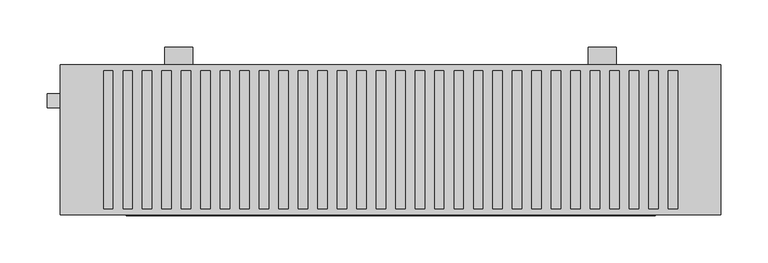
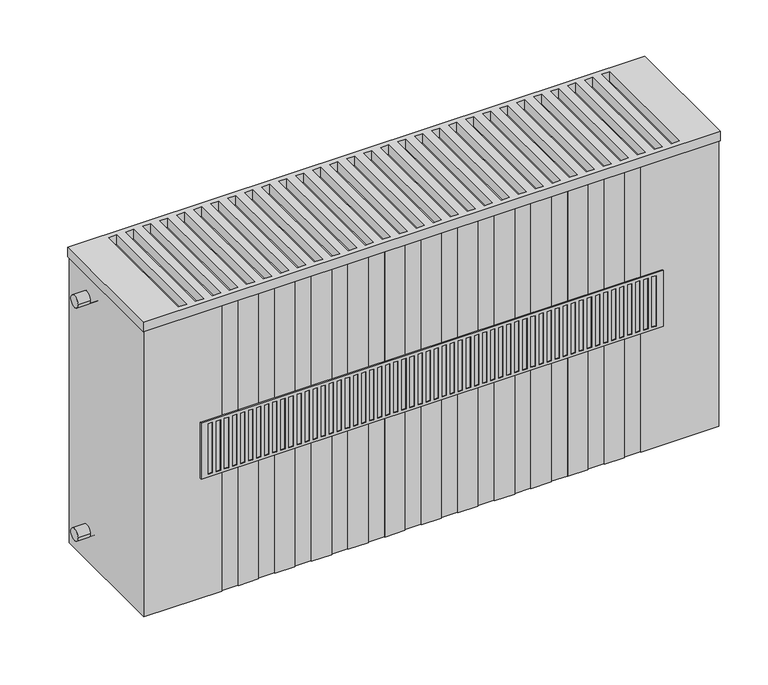
"""IFC4 building model written with IfcOpenShell, lengths in millimetres: proxy geometry."""

import ifcopenshell
import ifcopenshell.guid

model = None  # the IFC model being written
_history = None  # IfcOwnerHistory: only IFC2X3 demands one
_inside = {}  # id of a spatial element -> (the spatial element, [elements in it])
_under = {}  # id of a project, library or spatial element -> (it, [spatial elements below it])
_declared = {}  # id of a project -> (the project, [libraries it declares])
_typed = {}  # id of a type object -> (the type object, [elements of that type])
_made_of = {}  # id of a material, layer set ... -> (it, [elements and type objects made of it])


def new_model(schema):
    """Start an empty IFC model of exactly this schema.

    Asked for "IFC4X3", IfcOpenShell would pick the latest addendum, in which some entities
    have other attributes; the version numbers below select the first issue.
    IFC2X3 requires an IfcOwnerHistory on every rooted entity: one is made here for all.
    """
    global model, _history
    if schema == "IFC4X3":
        model = ifcopenshell.file(schema_version=(4, 3, 0, 0))
    else:
        model = ifcopenshell.file(schema=schema)
    _inside.clear()
    _under.clear()
    _declared.clear()
    _typed.clear()
    _made_of.clear()
    _history = None
    if model.schema == "IFC2X3":
        org = make("IfcOrganization", Name="unknown")
        user = make(
            "IfcPersonAndOrganization",
            ThePerson=make("IfcPerson", FamilyName="unknown"),
            TheOrganization=org,
        )
        app = make(
            "IfcApplication",
            ApplicationDeveloper=org,
            Version="unknown",
            ApplicationFullName="unknown",
            ApplicationIdentifier="unknown",
        )
        _history = make(
            "IfcOwnerHistory",
            OwningUser=user,
            OwningApplication=app,
            ChangeAction="ADDED",
            CreationDate=0,
        )
    return model


def make(cls, **values):
    """One entity of the class cls with the attributes given. An attribute that is None is left unset."""
    return model.create_entity(
        cls, **{name: value for name, value in values.items() if value is not None}
    )


def rooted(cls, **values):
    """An entity with a GlobalId (a new one), such as an element, a storey or a relation."""
    return make(cls, GlobalId=ifcopenshell.guid.new(), OwnerHistory=_history, **values)


def si_unit(unit_type, name, prefix=None):
    """IfcSIUnit, for example si_unit("LENGTHUNIT", "METRE", prefix="MILLI")."""
    return make("IfcSIUnit", UnitType=unit_type, Prefix=prefix, Name=name)


def assignment(units):
    """IfcUnitAssignment: the units of a project."""
    return None if units is None else make("IfcUnitAssignment", Units=units)


def point(xyz):
    """IfcCartesianPoint."""
    return None if xyz is None else make("IfcCartesianPoint", Coordinates=xyz)


def direction(xyz):
    """IfcDirection."""
    return None if xyz is None else make("IfcDirection", DirectionRatios=xyz)


def frame(location, z_axis=None, x_axis=None):
    """IfcAxis2Placement3D, a coordinate frame: its origin and axes. An axis left out is left unset."""
    return make(
        "IfcAxis2Placement3D",
        Location=point(location),
        Axis=direction(z_axis),
        RefDirection=direction(x_axis),
    )


def frame_2d(location, x_axis=None):
    """IfcAxis2Placement2D, a coordinate frame in the plane: its origin and x axis."""
    return make(
        "IfcAxis2Placement2D", Location=point(location), RefDirection=direction(x_axis)
    )


def origin():
    """The frame at (0, 0, 0) with its axes left unset."""
    return frame((0.0, 0.0, 0.0))


def place(relative_to, where):
    """IfcLocalPlacement: puts the frame where relative to a parent placement (None: the world)."""
    return make(
        "IfcLocalPlacement", PlacementRelTo=relative_to, RelativePlacement=where
    )


def context(
    kind, dimensions, precision=None, world=None, true_north=None, identifier=None
):
    """IfcGeometricRepresentationContext, for example the 3D "Model" context."""
    return make(
        "IfcGeometricRepresentationContext",
        ContextIdentifier=identifier,
        ContextType=kind,
        CoordinateSpaceDimension=dimensions,
        Precision=precision,
        WorldCoordinateSystem=world,
        TrueNorth=true_north,
    )


def project(units=None, contexts=None):
    """IfcProject with its units and contexts."""
    return rooted(
        "IfcProject",
        Name="project",
        RepresentationContexts=contexts,
        UnitsInContext=assignment(units),
    )


def spatial(cls, under=None, at=None, **own):
    """A site, building, storey or space (cls), placed at a placement, below another one or the project."""
    s = rooted(cls, ObjectPlacement=at, **own)
    if under is not None:
        _under.setdefault(under.id(), (under, []))[1].append(s)
    return s


def polyline(points):
    """IfcPolyline through the points."""
    return make("IfcPolyline", Points=[point(p) for p in points])


def circle_curve(where, radius):
    """IfcCircle in the frame where."""
    return make("IfcCircle", Position=where, Radius=radius)


def trimmed(basis, trim1, trim2, sense, master):
    """IfcTrimmedCurve: the piece of a basis curve between two trims."""
    return make(
        "IfcTrimmedCurve",
        BasisCurve=basis,
        Trim1=trim1,
        Trim2=trim2,
        SenseAgreement=sense,
        MasterRepresentation=master,
    )


def segment(curve, same_sense, transition):
    """IfcCompositeCurveSegment."""
    return make(
        "IfcCompositeCurveSegment",
        Transition=transition,
        SameSense=same_sense,
        ParentCurve=curve,
    )


def composite_curve(segments, self_intersect=None):
    """IfcCompositeCurve: segments joined end to end."""
    return make("IfcCompositeCurve", Segments=segments, SelfIntersect=self_intersect)


def outline(outer, holes=None, kind="AREA"):
    """IfcArbitraryClosedProfileDef: a profile drawn as a closed curve; with holes, ...WithVoids."""
    if holes is None:
        return make("IfcArbitraryClosedProfileDef", ProfileType=kind, OuterCurve=outer)
    return make(
        "IfcArbitraryProfileDefWithVoids",
        ProfileType=kind,
        OuterCurve=outer,
        InnerCurves=holes,
    )


def extrude(swept, where, along, depth):
    """IfcExtrudedAreaSolid: the profile swept, set in the frame where, extruded along a direction by depth."""
    return make(
        "IfcExtrudedAreaSolid",
        SweptArea=swept,
        Position=where,
        ExtrudedDirection=direction(along),
        Depth=depth,
    )


def faces_of(points, faces, orient=None, outer=None):
    """IfcFace entities. A face is a list of loops; a loop is a list of indices into points, from 0.

    orient and outer hold one flag for each loop. By default every Orientation is true, the
    first loop of a face is its IfcFaceOuterBound and the others are IfcFaceBound.
    """
    made = []
    for i, loops in enumerate(faces):
        bounds = []
        for j, loop in enumerate(loops):
            is_outer = j == 0 if outer is None else outer[i][j]
            bounds.append(
                make(
                    "IfcFaceOuterBound" if is_outer else "IfcFaceBound",
                    Bound=make("IfcPolyLoop", Polygon=[points[k] for k in loop]),
                    Orientation=True if orient is None else orient[i][j],
                )
            )
        made.append(make("IfcFace", Bounds=bounds))
    return made


def faceted_brep(points, faces, orient=None, outer=None, voids=None):
    """IfcFacetedBrep: a solid bounded by flat faces; with voids (closed shells), ...WithVoids."""
    shared = [point(p) for p in points]
    hull = make("IfcClosedShell", CfsFaces=faces_of(shared, faces, orient, outer))
    if voids is None:
        return make("IfcFacetedBrep", Outer=hull)
    return make(
        "IfcFacetedBrepWithVoids",
        Outer=hull,
        Voids=[
            make(cls, CfsFaces=faces_of(shared, fs, o, b)) for cls, fs, o, b in voids
        ],
    )


def shape(context_of_items, identifier, shape_type, items):
    """IfcShapeRepresentation: the items that make up one representation, for example the "Body"."""
    return make(
        "IfcShapeRepresentation",
        ContextOfItems=context_of_items,
        RepresentationIdentifier=identifier,
        RepresentationType=shape_type,
        Items=items,
    )


def source(mapping_origin, context_of_items, identifier, shape_type, items):
    """IfcRepresentationMap: a shape defined once, which mapped items show again and again."""
    return make(
        "IfcRepresentationMap",
        MappingOrigin=mapping_origin,
        MappedRepresentation=shape(context_of_items, identifier, shape_type, items),
    )


def transform(
    local_origin,
    x_axis=None,
    y_axis=None,
    z_axis=None,
    scale=None,
    scale2=None,
    scale3=None,
    uniform=True,
):
    """IfcCartesianTransformationOperator3D, or its non-uniform kind. x_axis, y_axis, z_axis: its Axis1, 2, 3."""
    if uniform:
        return make(
            "IfcCartesianTransformationOperator3D",
            Axis1=direction(x_axis),
            Axis2=direction(y_axis),
            LocalOrigin=point(local_origin),
            Scale=scale,
            Axis3=direction(z_axis),
        )
    return make(
        "IfcCartesianTransformationOperator3DnonUniform",
        Axis1=direction(x_axis),
        Axis2=direction(y_axis),
        LocalOrigin=point(local_origin),
        Scale=scale,
        Axis3=direction(z_axis),
        Scale2=scale2,
        Scale3=scale3,
    )


def mapped(mapping_source, mapping_target):
    """IfcMappedItem: shows the shape of a source again, moved by a transform."""
    return make(
        "IfcMappedItem", MappingSource=mapping_source, MappingTarget=mapping_target
    )


def made_of(thing, what):
    """Note that an element or type object is made of a material, layer set ...; save() writes the relation."""
    if what is not None:
        _made_of.setdefault(what.id(), (what, []))[1].append(thing)
    return thing


def element(
    cls,
    number,
    at=None,
    inside=None,
    cuts=None,
    type_object=None,
    material=None,
    context=None,
    identifier="Body",
    shape_type=None,
    held_by="IfcProductDefinitionShape",
    body=None,
    shapes=None,
    **own,
):
    """One element of the class cls, such as IfcWall. Its Tag is "e" and its number.

    at: its placement. inside: the storey or other place that contains it. cuts: it is an
    opening in that element (IfcRelVoidsElement). A single representation is given by context,
    identifier, shape_type and body (its items); several are given by shapes. held_by: the class
    of the entity that holds the representations. save() writes the other relations.
    """
    e = rooted(cls, Tag="e%d" % number, ObjectPlacement=at, **own)
    if body is not None:
        shapes = [shape(context, identifier, shape_type, body)]
    if shapes is not None:
        e.Representation = make(held_by, Representations=shapes)
    if inside is not None:
        _inside.setdefault(inside.id(), (inside, []))[1].append(e)
    if cuts is not None:
        rooted(
            "IfcRelVoidsElement", RelatingBuildingElement=cuts, RelatedOpeningElement=e
        )
    if type_object is not None:
        _typed.setdefault(type_object.id(), (type_object, []))[1].append(e)
    return made_of(e, material)


def aggregate(whole, parts):
    """IfcRelAggregates: a whole, such as a stair, and the parts it consists of."""
    return rooted("IfcRelAggregates", RelatingObject=whole, RelatedObjects=parts)


def save(model, path):
    """Write the relations noted so far, then the file.

    IfcRelAggregates (storeys below a building ...), IfcRelContainedInSpatialStructure (elements
    in a storey), IfcRelDefinesByType, IfcRelAssociatesMaterial and IfcRelDeclares: one each for
    every whole, place, type object, material and project.
    """
    for whole, parts in _under.values():
        aggregate(whole, parts)
    for where, things in _inside.values():
        rooted(
            "IfcRelContainedInSpatialStructure",
            RelatedElements=things,
            RelatingStructure=where,
        )
    for kind, things in _typed.values():
        rooted("IfcRelDefinesByType", RelatedObjects=things, RelatingType=kind)
    for what, things in _made_of.values():
        rooted("IfcRelAssociatesMaterial", RelatedObjects=things, RelatingMaterial=what)
    for by, libraries in _declared.values():
        rooted("IfcRelDeclares", RelatingContext=by, RelatedDefinitions=libraries)
    model.write(path)


def mechanical_equipment_a159cf67(model_context):
    return source(origin(), model_context, "Body", "SolidModel", [
        extrude(outline(polyline([(0.0, 380.0), (0.0, 100.0), (0.0, 80.0), (-51.0, 80.0), (-66.0, 100.0), (-20.0, 100.0), (-20.0, 380.0), (0.0, 380.0)])), frame((560.0, 0.0, 0.0), z_axis=(1.0, 0.0, 0.0), x_axis=(0.0, 1.0, 0.0)), (0.0, 0.0, 1.0), 30.0),
        extrude(outline(polyline([(0.0, 380.0), (0.0, 100.0), (0.0, 80.0), (-51.0, 80.0), (-66.0, 100.0), (-20.0, 100.0), (-20.0, 380.0), (0.0, 380.0)])), frame((110.0, 0.0, 0.0), z_axis=(1.0, 0.0, 0.0), x_axis=(0.0, 1.0, 0.0)), (0.0, 0.0, 1.0), 30.0),
        faceted_brep([(631.0, -179.0, 326.0), (631.0, -179.0, 254.0), (631.0, -177.0, 254.0), (631.0, -177.0, 326.0), (69.0, -179.0, 254.0), (69.0, -179.0, 326.0), (69.0, -177.0, 326.0), (69.0, -177.0, 254.0), (622.5, -179.0, 257.5), (617.5, -179.0, 257.5), (617.5, -179.0, 322.5), (622.5, -179.0, 322.5), (92.3181818, -179.0, 257.5), (87.3181818, -179.0, 257.5), (87.3181818, -179.0, 322.5), (92.3181818, -179.0, 322.5), (102.1363636, -179.0, 257.5), (97.1363636, -179.0, 257.5), (97.1363636, -179.0, 322.5), (102.1363636, -179.0, 322.5), (111.9545455, -179.0, 257.5), (106.9545455, -179.0, 257.5), (106.9545455, -179.0, 322.5), (111.9545455, -179.0, 322.5), (121.7727273, -179.0, 257.5), (116.7727273, -179.0, 257.5), (116.7727273, -179.0, 322.5), (121.7727273, -179.0, 322.5), (131.5909091, -179.0, 257.5), (126.5909091, -179.0, 257.5), (126.5909091, -179.0, 322.5), (131.5909091, -179.0, 322.5), (141.4090909, -179.0, 257.5), (136.4090909, -179.0, 257.5), (136.4090909, -179.0, 322.5), (141.4090909, -179.0, 322.5), (151.2272727, -179.0, 257.5), (146.2272727, -179.0, 257.5), (146.2272727, -179.0, 322.5), (151.2272727, -179.0, 322.5), (161.0454545, -179.0, 257.5), (156.0454545, -179.0, 257.5), (156.0454545, -179.0, 322.5), (161.0454545, -179.0, 322.5), (170.8636364, -179.0, 257.5), (165.8636364, -179.0, 257.5), (165.8636364, -179.0, 322.5), (170.8636364, -179.0, 322.5), (180.6818182, -179.0, 257.5), (175.6818182, -179.0, 257.5), (175.6818182, -179.0, 322.5), (180.6818182, -179.0, 322.5), (190.5, -179.0, 257.5), (185.5, -179.0, 257.5), (185.5, -179.0, 322.5), (190.5, -179.0, 322.5), (200.3181818, -179.0, 257.5), (195.3181818, -179.0, 257.5), (195.3181818, -179.0, 322.5), (200.3181818, -179.0, 322.5), (210.1363636, -179.0, 257.5), (205.1363636, -179.0, 257.5), (205.1363636, -179.0, 322.5), (210.1363636, -179.0, 322.5), (219.9545455, -179.0, 257.5), (214.9545455, -179.0, 257.5), (214.9545455, -179.0, 322.5), (219.9545455, -179.0, 322.5), (229.7727273, -179.0, 257.5), (224.7727273, -179.0, 257.5), (224.7727273, -179.0, 322.5), (229.7727273, -179.0, 322.5), (239.5909091, -179.0, 257.5), (234.5909091, -179.0, 257.5), (234.5909091, -179.0, 322.5), (239.5909091, -179.0, 322.5), (249.4090909, -179.0, 257.5), (244.4090909, -179.0, 257.5), (244.4090909, -179.0, 322.5), (249.4090909, -179.0, 322.5), (259.2272727, -179.0, 257.5), (254.2272727, -179.0, 257.5), (254.2272727, -179.0, 322.5), (259.2272727, -179.0, 322.5), (269.0454545, -179.0, 257.5), (264.0454545, -179.0, 257.5), (264.0454545, -179.0, 322.5), (269.0454545, -179.0, 322.5), (278.8636364, -179.0, 257.5), (273.8636364, -179.0, 257.5), (273.8636364, -179.0, 322.5), (278.8636364, -179.0, 322.5), (288.6818182, -179.0, 257.5), (283.6818182, -179.0, 257.5), (283.6818182, -179.0, 322.5), (288.6818182, -179.0, 322.5), (298.5, -179.0, 257.5), (293.5, -179.0, 257.5), (293.5, -179.0, 322.5), (298.5, -179.0, 322.5), (308.3181818, -179.0, 257.5), (303.3181818, -179.0, 257.5), (303.3181818, -179.0, 322.5), (308.3181818, -179.0, 322.5), (318.1363636, -179.0, 257.5), (313.1363636, -179.0, 257.5), (313.1363636, -179.0, 322.5), (318.1363636, -179.0, 322.5), (327.9545455, -179.0, 257.5), (322.9545455, -179.0, 257.5), (322.9545455, -179.0, 322.5), (327.9545455, -179.0, 322.5), (337.7727273, -179.0, 257.5), (332.7727273, -179.0, 257.5), (332.7727273, -179.0, 322.5), (337.7727273, -179.0, 322.5), (347.5909091, -179.0, 257.5), (342.5909091, -179.0, 257.5), (342.5909091, -179.0, 322.5), (347.5909091, -179.0, 322.5), (357.4090909, -179.0, 257.5), (352.4090909, -179.0, 257.5), (352.4090909, -179.0, 322.5), (357.4090909, -179.0, 322.5), (367.2272727, -179.0, 257.5), (362.2272727, -179.0, 257.5), (362.2272727, -179.0, 322.5), (367.2272727, -179.0, 322.5), (377.0454545, -179.0, 257.5), (372.0454545, -179.0, 257.5), (372.0454545, -179.0, 322.5), (377.0454545, -179.0, 322.5), (386.8636364, -179.0, 257.5), (381.8636364, -179.0, 257.5), (381.8636364, -179.0, 322.5), (386.8636364, -179.0, 322.5), (396.6818182, -179.0, 257.5), (391.6818182, -179.0, 257.5), (391.6818182, -179.0, 322.5), (396.6818182, -179.0, 322.5), (406.5, -179.0, 257.5), (401.5, -179.0, 257.5), (401.5, -179.0, 322.5), (406.5, -179.0, 322.5), (416.3181818, -179.0, 257.5), (411.3181818, -179.0, 257.5), (411.3181818, -179.0, 322.5), (416.3181818, -179.0, 322.5), (426.1363636, -179.0, 257.5), (421.1363636, -179.0, 257.5), (421.1363636, -179.0, 322.5), (426.1363636, -179.0, 322.5), (435.9545455, -179.0, 257.5), (430.9545455, -179.0, 257.5), (430.9545455, -179.0, 322.5), (435.9545455, -179.0, 322.5), (445.7727273, -179.0, 257.5), (440.7727273, -179.0, 257.5), (440.7727273, -179.0, 322.5), (445.7727273, -179.0, 322.5), (455.5909091, -179.0, 257.5), (450.5909091, -179.0, 257.5), (450.5909091, -179.0, 322.5), (455.5909091, -179.0, 322.5), (465.4090909, -179.0, 257.5), (460.4090909, -179.0, 257.5), (460.4090909, -179.0, 322.5), (465.4090909, -179.0, 322.5), (475.2272727, -179.0, 257.5), (470.2272727, -179.0, 257.5), (470.2272727, -179.0, 322.5), (475.2272727, -179.0, 322.5), (485.0454545, -179.0, 257.5), (480.0454545, -179.0, 257.5), (480.0454545, -179.0, 322.5), (485.0454545, -179.0, 322.5), (494.8636364, -179.0, 257.5), (489.8636364, -179.0, 257.5), (489.8636364, -179.0, 322.5), (494.8636364, -179.0, 322.5), (504.6818182, -179.0, 257.5), (499.6818182, -179.0, 257.5), (499.6818182, -179.0, 322.5), (504.6818182, -179.0, 322.5), (514.5, -179.0, 257.5), (509.5, -179.0, 257.5), (509.5, -179.0, 322.5), (514.5, -179.0, 322.5), (524.3181818, -179.0, 257.5), (519.3181818, -179.0, 257.5), (519.3181818, -179.0, 322.5), (524.3181818, -179.0, 322.5), (534.1363636, -179.0, 257.5), (529.1363636, -179.0, 257.5), (529.1363636, -179.0, 322.5), (534.1363636, -179.0, 322.5), (543.9545455, -179.0, 257.5), (538.9545455, -179.0, 257.5), (538.9545455, -179.0, 322.5), (543.9545455, -179.0, 322.5), (553.7727273, -179.0, 257.5), (548.7727273, -179.0, 257.5), (548.7727273, -179.0, 322.5), (553.7727273, -179.0, 322.5), (563.5909091, -179.0, 257.5), (558.5909091, -179.0, 257.5), (558.5909091, -179.0, 322.5), (563.5909091, -179.0, 322.5), (573.4090909, -179.0, 257.5), (568.4090909, -179.0, 257.5), (568.4090909, -179.0, 322.5), (573.4090909, -179.0, 322.5), (583.2272727, -179.0, 257.5), (578.2272727, -179.0, 257.5), (578.2272727, -179.0, 322.5), (583.2272727, -179.0, 322.5), (593.0454545, -179.0, 257.5), (588.0454545, -179.0, 257.5), (588.0454545, -179.0, 322.5), (593.0454545, -179.0, 322.5), (602.8636364, -179.0, 257.5), (597.8636364, -179.0, 257.5), (597.8636364, -179.0, 322.5), (602.8636364, -179.0, 322.5), (612.6818182, -179.0, 257.5), (607.6818182, -179.0, 257.5), (607.6818182, -179.0, 322.5), (612.6818182, -179.0, 322.5), (82.5, -179.0, 257.5), (77.5, -179.0, 257.5), (77.5, -179.0, 322.5), (82.5, -179.0, 322.5), (617.5, -178.0, 257.5), (622.5, -178.0, 257.5), (622.5, -178.0, 322.5), (617.5, -178.0, 322.5), (87.3181818, -178.0, 257.5), (92.3181818, -178.0, 257.5), (92.3181818, -178.0, 322.5), (87.3181818, -178.0, 322.5), (97.1363636, -178.0, 257.5), (102.1363636, -178.0, 257.5), (102.1363636, -178.0, 322.5), (97.1363636, -178.0, 322.5), (106.9545455, -178.0, 257.5), (111.9545455, -178.0, 257.5), (111.9545455, -178.0, 322.5), (106.9545455, -178.0, 322.5), (116.7727273, -178.0, 257.5), (121.7727273, -178.0, 257.5), (121.7727273, -178.0, 322.5), (116.7727273, -178.0, 322.5), (126.5909091, -178.0, 257.5), (131.5909091, -178.0, 257.5), (131.5909091, -178.0, 322.5), (126.5909091, -178.0, 322.5), (136.4090909, -178.0, 257.5), (141.4090909, -178.0, 257.5), (141.4090909, -178.0, 322.5), (136.4090909, -178.0, 322.5), (146.2272727, -178.0, 257.5), (151.2272727, -178.0, 257.5), (151.2272727, -178.0, 322.5), (146.2272727, -178.0, 322.5), (156.0454545, -178.0, 257.5), (161.0454545, -178.0, 257.5), (161.0454545, -178.0, 322.5), (156.0454545, -178.0, 322.5), (165.8636364, -178.0, 257.5), (170.8636364, -178.0, 257.5), (170.8636364, -178.0, 322.5), (165.8636364, -178.0, 322.5), (175.6818182, -178.0, 257.5), (180.6818182, -178.0, 257.5), (180.6818182, -178.0, 322.5), (175.6818182, -178.0, 322.5), (185.5, -178.0, 257.5), (190.5, -178.0, 257.5), (190.5, -178.0, 322.5), (185.5, -178.0, 322.5), (195.3181818, -178.0, 257.5), (200.3181818, -178.0, 257.5), (200.3181818, -178.0, 322.5), (195.3181818, -178.0, 322.5), (205.1363636, -178.0, 257.5), (210.1363636, -178.0, 257.5), (210.1363636, -178.0, 322.5), (205.1363636, -178.0, 322.5), (214.9545455, -178.0, 257.5), (219.9545455, -178.0, 257.5), (219.9545455, -178.0, 322.5), (214.9545455, -178.0, 322.5), (224.7727273, -178.0, 257.5), (229.7727273, -178.0, 257.5), (229.7727273, -178.0, 322.5), (224.7727273, -178.0, 322.5), (234.5909091, -178.0, 257.5), (239.5909091, -178.0, 257.5), (239.5909091, -178.0, 322.5), (234.5909091, -178.0, 322.5), (244.4090909, -178.0, 257.5), (249.4090909, -178.0, 257.5), (249.4090909, -178.0, 322.5), (244.4090909, -178.0, 322.5), (254.2272727, -178.0, 257.5), (259.2272727, -178.0, 257.5), (259.2272727, -178.0, 322.5), (254.2272727, -178.0, 322.5), (264.0454545, -178.0, 257.5), (269.0454545, -178.0, 257.5), (269.0454545, -178.0, 322.5), (264.0454545, -178.0, 322.5), (273.8636364, -178.0, 257.5), (278.8636364, -178.0, 257.5), (278.8636364, -178.0, 322.5), (273.8636364, -178.0, 322.5), (283.6818182, -178.0, 257.5), (288.6818182, -178.0, 257.5), (288.6818182, -178.0, 322.5), (283.6818182, -178.0, 322.5), (293.5, -178.0, 257.5), (298.5, -178.0, 257.5), (298.5, -178.0, 322.5), (293.5, -178.0, 322.5), (303.3181818, -178.0, 257.5), (308.3181818, -178.0, 257.5), (308.3181818, -178.0, 322.5), (303.3181818, -178.0, 322.5), (313.1363636, -178.0, 257.5), (318.1363636, -178.0, 257.5), (318.1363636, -178.0, 322.5), (313.1363636, -178.0, 322.5), (322.9545455, -178.0, 257.5), (327.9545455, -178.0, 257.5), (327.9545455, -178.0, 322.5), (322.9545455, -178.0, 322.5), (332.7727273, -178.0, 257.5), (337.7727273, -178.0, 257.5), (337.7727273, -178.0, 322.5), (332.7727273, -178.0, 322.5), (342.5909091, -178.0, 257.5), (347.5909091, -178.0, 257.5), (347.5909091, -178.0, 322.5), (342.5909091, -178.0, 322.5), (352.4090909, -178.0, 257.5), (357.4090909, -178.0, 257.5), (357.4090909, -178.0, 322.5), (352.4090909, -178.0, 322.5), (362.2272727, -178.0, 257.5), (367.2272727, -178.0, 257.5), (367.2272727, -178.0, 322.5), (362.2272727, -178.0, 322.5), (372.0454545, -178.0, 257.5), (377.0454545, -178.0, 257.5), (377.0454545, -178.0, 322.5), (372.0454545, -178.0, 322.5), (381.8636364, -178.0, 257.5), (386.8636364, -178.0, 257.5), (386.8636364, -178.0, 322.5), (381.8636364, -178.0, 322.5), (391.6818182, -178.0, 257.5), (396.6818182, -178.0, 257.5), (396.6818182, -178.0, 322.5), (391.6818182, -178.0, 322.5), (401.5, -178.0, 257.5), (406.5, -178.0, 257.5), (406.5, -178.0, 322.5), (401.5, -178.0, 322.5), (411.3181818, -178.0, 257.5), (416.3181818, -178.0, 257.5), (416.3181818, -178.0, 322.5), (411.3181818, -178.0, 322.5), (421.1363636, -178.0, 257.5), (426.1363636, -178.0, 257.5), (426.1363636, -178.0, 322.5), (421.1363636, -178.0, 322.5), (430.9545455, -178.0, 257.5), (435.9545455, -178.0, 257.5), (435.9545455, -178.0, 322.5), (430.9545455, -178.0, 322.5), (440.7727273, -178.0, 257.5), (445.7727273, -178.0, 257.5), (445.7727273, -178.0, 322.5), (440.7727273, -178.0, 322.5), (450.5909091, -178.0, 257.5), (455.5909091, -178.0, 257.5), (455.5909091, -178.0, 322.5), (450.5909091, -178.0, 322.5), (460.4090909, -178.0, 257.5), (465.4090909, -178.0, 257.5), (465.4090909, -178.0, 322.5), (460.4090909, -178.0, 322.5), (470.2272727, -178.0, 257.5), (475.2272727, -178.0, 257.5), (475.2272727, -178.0, 322.5), (470.2272727, -178.0, 322.5), (480.0454545, -178.0, 257.5), (485.0454545, -178.0, 257.5), (485.0454545, -178.0, 322.5), (480.0454545, -178.0, 322.5), (489.8636364, -178.0, 257.5), (494.8636364, -178.0, 257.5), (494.8636364, -178.0, 322.5), (489.8636364, -178.0, 322.5), (499.6818182, -178.0, 257.5), (504.6818182, -178.0, 257.5), (504.6818182, -178.0, 322.5), (499.6818182, -178.0, 322.5), (509.5, -178.0, 257.5), (514.5, -178.0, 257.5), (514.5, -178.0, 322.5), (509.5, -178.0, 322.5), (519.3181818, -178.0, 257.5), (524.3181818, -178.0, 257.5), (524.3181818, -178.0, 322.5), (519.3181818, -178.0, 322.5), (529.1363636, -178.0, 257.5), (534.1363636, -178.0, 257.5), (534.1363636, -178.0, 322.5), (529.1363636, -178.0, 322.5), (538.9545455, -178.0, 257.5), (543.9545455, -178.0, 257.5), (543.9545455, -178.0, 322.5), (538.9545455, -178.0, 322.5), (548.7727273, -178.0, 257.5), (553.7727273, -178.0, 257.5), (553.7727273, -178.0, 322.5), (548.7727273, -178.0, 322.5), (558.5909091, -178.0, 257.5), (563.5909091, -178.0, 257.5), (563.5909091, -178.0, 322.5), (558.5909091, -178.0, 322.5), (568.4090909, -178.0, 257.5), (573.4090909, -178.0, 257.5), (573.4090909, -178.0, 322.5), (568.4090909, -178.0, 322.5), (578.2272727, -178.0, 257.5), (583.2272727, -178.0, 257.5), (583.2272727, -178.0, 322.5), (578.2272727, -178.0, 322.5), (588.0454545, -178.0, 257.5), (593.0454545, -178.0, 257.5), (593.0454545, -178.0, 322.5), (588.0454545, -178.0, 322.5), (597.8636364, -178.0, 257.5), (602.8636364, -178.0, 257.5), (602.8636364, -178.0, 322.5), (597.8636364, -178.0, 322.5), (607.6818182, -178.0, 257.5), (612.6818182, -178.0, 257.5), (612.6818182, -178.0, 322.5), (607.6818182, -178.0, 322.5), (77.5, -178.0, 257.5), (82.5, -178.0, 257.5), (82.5, -178.0, 322.5), (77.5, -178.0, 322.5)], [[[0, 1, 2, 3]], [[4, 5, 6, 7]], [[1, 0, 5, 4], [8, 9, 10, 11], [12, 13, 14, 15], [16, 17, 18, 19], [20, 21, 22, 23], [24, 25, 26, 27], [28, 29, 30, 31], [32, 33, 34, 35], [36, 37, 38, 39], [40, 41, 42, 43], [44, 45, 46, 47], [48, 49, 50, 51], [52, 53, 54, 55], [56, 57, 58, 59], [60, 61, 62, 63], [64, 65, 66, 67], [68, 69, 70, 71], [72, 73, 74, 75], [76, 77, 78, 79], [80, 81, 82, 83], [84, 85, 86, 87], [88, 89, 90, 91], [92, 93, 94, 95], [96, 97, 98, 99], [100, 101, 102, 103], [104, 105, 106, 107], [108, 109, 110, 111], [112, 113, 114, 115], [116, 117, 118, 119], [120, 121, 122, 123], [124, 125, 126, 127], [128, 129, 130, 131], [132, 133, 134, 135], [136, 137, 138, 139], [140, 141, 142, 143], [144, 145, 146, 147], [148, 149, 150, 151], [152, 153, 154, 155], [156, 157, 158, 159], [160, 161, 162, 163], [164, 165, 166, 167], [168, 169, 170, 171], [172, 173, 174, 175], [176, 177, 178, 179], [180, 181, 182, 183], [184, 185, 186, 187], [188, 189, 190, 191], [192, 193, 194, 195], [196, 197, 198, 199], [200, 201, 202, 203], [204, 205, 206, 207], [208, 209, 210, 211], [212, 213, 214, 215], [216, 217, 218, 219], [220, 221, 222, 223], [224, 225, 226, 227], [228, 229, 230, 231]], [[3, 2, 7, 6]], [[2, 1, 4, 7]], [[0, 3, 6, 5]], [[232, 233, 234, 235]], [[233, 232, 9, 8]], [[234, 233, 8, 11]], [[235, 234, 11, 10]], [[232, 235, 10, 9]], [[236, 237, 238, 239]], [[237, 236, 13, 12]], [[238, 237, 12, 15]], [[239, 238, 15, 14]], [[236, 239, 14, 13]], [[240, 241, 242, 243]], [[241, 240, 17, 16]], [[242, 241, 16, 19]], [[243, 242, 19, 18]], [[240, 243, 18, 17]], [[244, 245, 246, 247]], [[245, 244, 21, 20]], [[246, 245, 20, 23]], [[247, 246, 23, 22]], [[244, 247, 22, 21]], [[248, 249, 250, 251]], [[249, 248, 25, 24]], [[250, 249, 24, 27]], [[251, 250, 27, 26]], [[248, 251, 26, 25]], [[252, 253, 254, 255]], [[253, 252, 29, 28]], [[254, 253, 28, 31]], [[255, 254, 31, 30]], [[252, 255, 30, 29]], [[256, 257, 258, 259]], [[257, 256, 33, 32]], [[258, 257, 32, 35]], [[259, 258, 35, 34]], [[256, 259, 34, 33]], [[260, 261, 262, 263]], [[261, 260, 37, 36]], [[262, 261, 36, 39]], [[263, 262, 39, 38]], [[260, 263, 38, 37]], [[264, 265, 266, 267]], [[265, 264, 41, 40]], [[266, 265, 40, 43]], [[267, 266, 43, 42]], [[264, 267, 42, 41]], [[268, 269, 270, 271]], [[269, 268, 45, 44]], [[270, 269, 44, 47]], [[271, 270, 47, 46]], [[268, 271, 46, 45]], [[272, 273, 274, 275]], [[273, 272, 49, 48]], [[274, 273, 48, 51]], [[275, 274, 51, 50]], [[272, 275, 50, 49]], [[276, 277, 278, 279]], [[277, 276, 53, 52]], [[278, 277, 52, 55]], [[279, 278, 55, 54]], [[276, 279, 54, 53]], [[280, 281, 282, 283]], [[281, 280, 57, 56]], [[282, 281, 56, 59]], [[283, 282, 59, 58]], [[280, 283, 58, 57]], [[284, 285, 286, 287]], [[285, 284, 61, 60]], [[286, 285, 60, 63]], [[287, 286, 63, 62]], [[284, 287, 62, 61]], [[288, 289, 290, 291]], [[289, 288, 65, 64]], [[290, 289, 64, 67]], [[291, 290, 67, 66]], [[288, 291, 66, 65]], [[292, 293, 294, 295]], [[293, 292, 69, 68]], [[294, 293, 68, 71]], [[295, 294, 71, 70]], [[292, 295, 70, 69]], [[296, 297, 298, 299]], [[297, 296, 73, 72]], [[298, 297, 72, 75]], [[299, 298, 75, 74]], [[296, 299, 74, 73]], [[300, 301, 302, 303]], [[301, 300, 77, 76]], [[302, 301, 76, 79]], [[303, 302, 79, 78]], [[300, 303, 78, 77]], [[304, 305, 306, 307]], [[305, 304, 81, 80]], [[306, 305, 80, 83]], [[307, 306, 83, 82]], [[304, 307, 82, 81]], [[308, 309, 310, 311]], [[309, 308, 85, 84]], [[310, 309, 84, 87]], [[311, 310, 87, 86]], [[308, 311, 86, 85]], [[312, 313, 314, 315]], [[313, 312, 89, 88]], [[314, 313, 88, 91]], [[315, 314, 91, 90]], [[312, 315, 90, 89]], [[316, 317, 318, 319]], [[317, 316, 93, 92]], [[318, 317, 92, 95]], [[319, 318, 95, 94]], [[316, 319, 94, 93]], [[320, 321, 322, 323]], [[321, 320, 97, 96]], [[322, 321, 96, 99]], [[323, 322, 99, 98]], [[320, 323, 98, 97]], [[324, 325, 326, 327]], [[325, 324, 101, 100]], [[326, 325, 100, 103]], [[327, 326, 103, 102]], [[324, 327, 102, 101]], [[328, 329, 330, 331]], [[329, 328, 105, 104]], [[330, 329, 104, 107]], [[331, 330, 107, 106]], [[328, 331, 106, 105]], [[332, 333, 334, 335]], [[333, 332, 109, 108]], [[334, 333, 108, 111]], [[335, 334, 111, 110]], [[332, 335, 110, 109]], [[336, 337, 338, 339]], [[337, 336, 113, 112]], [[338, 337, 112, 115]], [[339, 338, 115, 114]], [[336, 339, 114, 113]], [[340, 341, 342, 343]], [[341, 340, 117, 116]], [[342, 341, 116, 119]], [[343, 342, 119, 118]], [[340, 343, 118, 117]], [[344, 345, 346, 347]], [[345, 344, 121, 120]], [[346, 345, 120, 123]], [[347, 346, 123, 122]], [[344, 347, 122, 121]], [[348, 349, 350, 351]], [[349, 348, 125, 124]], [[350, 349, 124, 127]], [[351, 350, 127, 126]], [[348, 351, 126, 125]], [[352, 353, 354, 355]], [[353, 352, 129, 128]], [[354, 353, 128, 131]], [[355, 354, 131, 130]], [[352, 355, 130, 129]], [[356, 357, 358, 359]], [[357, 356, 133, 132]], [[358, 357, 132, 135]], [[359, 358, 135, 134]], [[356, 359, 134, 133]], [[360, 361, 362, 363]], [[361, 360, 137, 136]], [[362, 361, 136, 139]], [[363, 362, 139, 138]], [[360, 363, 138, 137]], [[364, 365, 366, 367]], [[365, 364, 141, 140]], [[366, 365, 140, 143]], [[367, 366, 143, 142]], [[364, 367, 142, 141]], [[368, 369, 370, 371]], [[369, 368, 145, 144]], [[370, 369, 144, 147]], [[371, 370, 147, 146]], [[368, 371, 146, 145]], [[372, 373, 374, 375]], [[373, 372, 149, 148]], [[374, 373, 148, 151]], [[375, 374, 151, 150]], [[372, 375, 150, 149]], [[376, 377, 378, 379]], [[377, 376, 153, 152]], [[378, 377, 152, 155]], [[379, 378, 155, 154]], [[376, 379, 154, 153]], [[380, 381, 382, 383]], [[381, 380, 157, 156]], [[382, 381, 156, 159]], [[383, 382, 159, 158]], [[380, 383, 158, 157]], [[384, 385, 386, 387]], [[385, 384, 161, 160]], [[386, 385, 160, 163]], [[387, 386, 163, 162]], [[384, 387, 162, 161]], [[388, 389, 390, 391]], [[389, 388, 165, 164]], [[390, 389, 164, 167]], [[391, 390, 167, 166]], [[388, 391, 166, 165]], [[392, 393, 394, 395]], [[393, 392, 169, 168]], [[394, 393, 168, 171]], [[395, 394, 171, 170]], [[392, 395, 170, 169]], [[396, 397, 398, 399]], [[397, 396, 173, 172]], [[398, 397, 172, 175]], [[399, 398, 175, 174]], [[396, 399, 174, 173]], [[400, 401, 402, 403]], [[401, 400, 177, 176]], [[402, 401, 176, 179]], [[403, 402, 179, 178]], [[400, 403, 178, 177]], [[404, 405, 406, 407]], [[405, 404, 181, 180]], [[406, 405, 180, 183]], [[407, 406, 183, 182]], [[404, 407, 182, 181]], [[408, 409, 410, 411]], [[409, 408, 185, 184]], [[410, 409, 184, 187]], [[411, 410, 187, 186]], [[408, 411, 186, 185]], [[412, 413, 414, 415]], [[413, 412, 189, 188]], [[414, 413, 188, 191]], [[415, 414, 191, 190]], [[412, 415, 190, 189]], [[416, 417, 418, 419]], [[417, 416, 193, 192]], [[418, 417, 192, 195]], [[419, 418, 195, 194]], [[416, 419, 194, 193]], [[420, 421, 422, 423]], [[421, 420, 197, 196]], [[422, 421, 196, 199]], [[423, 422, 199, 198]], [[420, 423, 198, 197]], [[424, 425, 426, 427]], [[425, 424, 201, 200]], [[426, 425, 200, 203]], [[427, 426, 203, 202]], [[424, 427, 202, 201]], [[428, 429, 430, 431]], [[429, 428, 205, 204]], [[430, 429, 204, 207]], [[431, 430, 207, 206]], [[428, 431, 206, 205]], [[432, 433, 434, 435]], [[433, 432, 209, 208]], [[434, 433, 208, 211]], [[435, 434, 211, 210]], [[432, 435, 210, 209]], [[436, 437, 438, 439]], [[437, 436, 213, 212]], [[438, 437, 212, 215]], [[439, 438, 215, 214]], [[436, 439, 214, 213]], [[440, 441, 442, 443]], [[441, 440, 217, 216]], [[442, 441, 216, 219]], [[443, 442, 219, 218]], [[440, 443, 218, 217]], [[444, 445, 446, 447]], [[445, 444, 221, 220]], [[446, 445, 220, 223]], [[447, 446, 223, 222]], [[444, 447, 222, 221]], [[448, 449, 450, 451]], [[449, 448, 225, 224]], [[450, 449, 224, 227]], [[451, 450, 227, 226]], [[448, 451, 226, 225]], [[452, 453, 454, 455]], [[453, 452, 229, 228]], [[454, 453, 228, 231]], [[455, 454, 231, 230]], [[452, 455, 230, 229]]]),
        extrude(outline(polyline([(701.0, -19.0), (701.0, -178.0), (-1.0, -178.0), (-1.0, -19.0), (701.0, -19.0)]), holes=[polyline([(645.0, -172.0), (655.0, -172.0), (655.0, -25.0), (645.0, -25.0), (645.0, -172.0)]), polyline([(65.6896552, -172.0), (75.6896552, -172.0), (75.6896552, -25.0), (65.6896552, -25.0), (65.6896552, -172.0)]), polyline([(86.3793103, -172.0), (96.3793103, -172.0), (96.3793103, -25.0), (86.3793103, -25.0), (86.3793103, -172.0)]), polyline([(107.0689655, -172.0), (117.0689655, -172.0), (117.0689655, -25.0), (107.0689655, -25.0), (107.0689655, -172.0)]), polyline([(127.7586207, -172.0), (137.7586207, -172.0), (137.7586207, -25.0), (127.7586207, -25.0), (127.7586207, -172.0)]), polyline([(148.4482759, -172.0), (158.4482759, -172.0), (158.4482759, -25.0), (148.4482759, -25.0), (148.4482759, -172.0)]), polyline([(169.137931, -172.0), (179.137931, -172.0), (179.137931, -25.0), (169.137931, -25.0), (169.137931, -172.0)]), polyline([(189.8275862, -172.0), (199.8275862, -172.0), (199.8275862, -25.0), (189.8275862, -25.0), (189.8275862, -172.0)]), polyline([(210.5172414, -172.0), (220.5172414, -172.0), (220.5172414, -25.0), (210.5172414, -25.0), (210.5172414, -172.0)]), polyline([(231.2068966, -172.0), (241.2068966, -172.0), (241.2068966, -25.0), (231.2068966, -25.0), (231.2068966, -172.0)]), polyline([(251.8965517, -172.0), (261.8965517, -172.0), (261.8965517, -25.0), (251.8965517, -25.0), (251.8965517, -172.0)]), polyline([(272.5862069, -172.0), (282.5862069, -172.0), (282.5862069, -25.0), (272.5862069, -25.0), (272.5862069, -172.0)]), polyline([(293.2758621, -172.0), (303.2758621, -172.0), (303.2758621, -25.0), (293.2758621, -25.0), (293.2758621, -172.0)]), polyline([(313.9655172, -172.0), (323.9655172, -172.0), (323.9655172, -25.0), (313.9655172, -25.0), (313.9655172, -172.0)]), polyline([(334.6551724, -172.0), (344.6551724, -172.0), (344.6551724, -25.0), (334.6551724, -25.0), (334.6551724, -172.0)]), polyline([(355.3448276, -172.0), (365.3448276, -172.0), (365.3448276, -25.0), (355.3448276, -25.0), (355.3448276, -172.0)]), polyline([(376.0344828, -172.0), (386.0344828, -172.0), (386.0344828, -25.0), (376.0344828, -25.0), (376.0344828, -172.0)]), polyline([(396.7241379, -172.0), (406.7241379, -172.0), (406.7241379, -25.0), (396.7241379, -25.0), (396.7241379, -172.0)]), polyline([(417.4137931, -172.0), (427.4137931, -172.0), (427.4137931, -25.0), (417.4137931, -25.0), (417.4137931, -172.0)]), polyline([(438.1034483, -172.0), (448.1034483, -172.0), (448.1034483, -25.0), (438.1034483, -25.0), (438.1034483, -172.0)]), polyline([(458.7931034, -172.0), (468.7931034, -172.0), (468.7931034, -25.0), (458.7931034, -25.0), (458.7931034, -172.0)]), polyline([(479.4827586, -172.0), (489.4827586, -172.0), (489.4827586, -25.0), (479.4827586, -25.0), (479.4827586, -172.0)]), polyline([(500.1724138, -172.0), (510.1724138, -172.0), (510.1724138, -25.0), (500.1724138, -25.0), (500.1724138, -172.0)]), polyline([(520.862069, -172.0), (530.862069, -172.0), (530.862069, -25.0), (520.862069, -25.0), (520.862069, -172.0)]), polyline([(541.5517241, -172.0), (551.5517241, -172.0), (551.5517241, -25.0), (541.5517241, -25.0), (541.5517241, -172.0)]), polyline([(562.2413793, -172.0), (572.2413793, -172.0), (572.2413793, -25.0), (562.2413793, -25.0), (562.2413793, -172.0)]), polyline([(582.9310345, -172.0), (592.9310345, -172.0), (592.9310345, -25.0), (582.9310345, -25.0), (582.9310345, -172.0)]), polyline([(603.6206897, -172.0), (613.6206897, -172.0), (613.6206897, -25.0), (603.6206897, -25.0), (603.6206897, -172.0)]), polyline([(624.3103448, -172.0), (634.3103448, -172.0), (634.3103448, -25.0), (624.3103448, -25.0), (624.3103448, -172.0)]), polyline([(45.0, -172.0), (55.0, -172.0), (55.0, -25.0), (45.0, -25.0), (45.0, -172.0)])]), frame((0.0, 0.0, 468.0), z_axis=(0.0, 0.0, 1.0), x_axis=(1.0, 0.0, 0.0)), (0.0, 0.0, 1.0), 12.0),
        extrude(outline(composite_curve([segment(trimmed(circle_curve(frame_2d((-57.0, 138.5)), 7.5), [point((-64.5, 138.5))], [point((-49.5, 138.5))], False, "CARTESIAN"), True, "CONTINUOUS"), segment(trimmed(circle_curve(frame_2d((-57.0, 138.5)), 7.5), [point((-49.5, 138.5))], [point((-64.5, 138.5))], False, "CARTESIAN"), True, "CONTINUOUS")], self_intersect=False)), frame((-15.0, 0.0, 0.0), z_axis=(1.0, 0.0, 0.0), x_axis=(0.0, 1.0, 0.0)), (0.0, 0.0, 1.0), 105.0),
        extrude(outline(composite_curve([segment(trimmed(circle_curve(frame_2d((-57.0, 438.5)), 7.5), [point((-64.5, 438.5))], [point((-49.5, 438.5))], False, "CARTESIAN"), True, "CONTINUOUS"), segment(trimmed(circle_curve(frame_2d((-57.0, 438.5)), 7.5), [point((-49.5, 438.5))], [point((-64.5, 438.5))], False, "CARTESIAN"), True, "CONTINUOUS")], self_intersect=False)), frame((-15.0, 0.0, 0.0), z_axis=(1.0, 0.0, 0.0), x_axis=(0.0, 1.0, 0.0)), (0.0, 0.0, 1.0), 105.0),
        extrude(outline(polyline([(700.0, -20.0), (700.0, -177.0), (605.0, -177.0), (605.0, -176.0), (585.0, -176.0), (585.0, -177.0), (560.4545455, -177.0), (560.4545455, -176.0), (540.4545455, -176.0), (540.4545455, -177.0), (515.9090909, -177.0), (515.9090909, -176.0), (495.9090909, -176.0), (495.9090909, -177.0), (471.3636364, -177.0), (471.3636364, -176.0), (451.3636364, -176.0), (451.3636364, -177.0), (426.8181818, -177.0), (426.8181818, -176.0), (406.8181818, -176.0), (406.8181818, -177.0), (382.2727273, -177.0), (382.2727273, -176.0), (362.2727273, -176.0), (362.2727273, -177.0), (337.7272727, -177.0), (337.7272727, -176.0), (317.7272727, -176.0), (317.7272727, -177.0), (293.1818182, -177.0), (293.1818182, -176.0), (273.1818182, -176.0), (273.1818182, -177.0), (248.6363636, -177.0), (248.6363636, -176.0), (228.6363636, -176.0), (228.6363636, -177.0), (204.0909091, -177.0), (204.0909091, -176.0), (184.0909091, -176.0), (184.0909091, -177.0), (159.5454545, -177.0), (159.5454545, -176.0), (139.5454545, -176.0), (139.5454545, -177.0), (115.0, -177.0), (115.0, -176.0), (95.0, -176.0), (95.0, -177.0), (0.0, -177.0), (0.0, -20.0), (700.0, -20.0)])), frame((0.0, 0.0, 100.0), z_axis=(0.0, 0.0, 1.0), x_axis=(1.0, 0.0, 0.0)), (0.0, 0.0, 1.0), 368.0),
    ])


if __name__ == "__main__":
    model = new_model("IFC4")
    model_context = context("Model", 3, world=origin())
    ifc_project = project(units=[si_unit("LENGTHUNIT", "METRE", prefix="MILLI")], contexts=[model_context])
    site = spatial("IfcSite", under=ifc_project)
    building = spatial("IfcBuilding", under=site)
    placement = place(None, origin())
    mechanical_equipment_shape = mechanical_equipment_a159cf67(model_context)
    element("IfcBuildingElementProxy", 1, Name="Mechanical Equipment", at=placement, inside=building, context=model_context, shape_type="MappedRepresentation", body=[
        mapped(mechanical_equipment_shape, transform((0.0, 0.0, 0.0), x_axis=(1.0, 0.0, 0.0), y_axis=(0.0, 1.0, 0.0), z_axis=(0.0, 0.0, 1.0))),
    ])
    save(model, "model.ifc")
